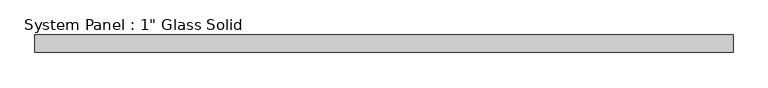
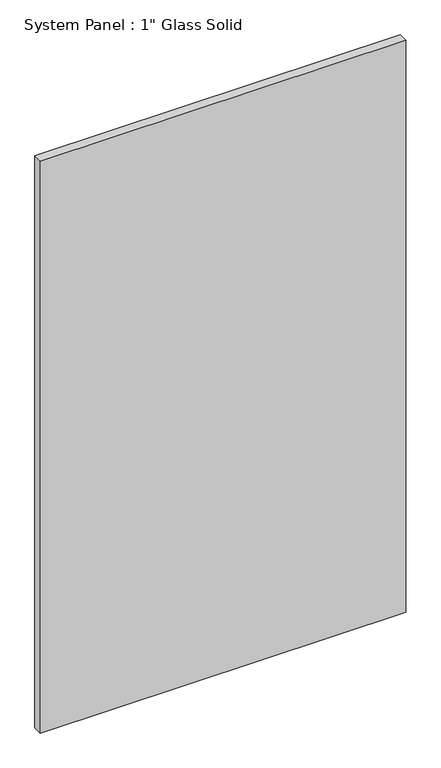
"""IFC4 building model written with IfcOpenShell, lengths in millimetres: plate geometry."""

from ifc_helpers import new_model, si_unit, origin, origin_with_axes, place, context, project, spatial, polyline, outline, extrude, source, transform, mapped, element, save


def plate_017f8e9b(model_context):
    return source(origin(), model_context, "Body", "SweptSolid", [
        extrude(outline(polyline([(504.825, -12.7), (-504.825, -12.7), (-504.825, 12.7), (504.825, 12.7), (504.825, -12.7)])), origin_with_axes(), (0.0, 0.0, 1.0), 1670.05),
    ])


if __name__ == "__main__":
    model = new_model("IFC4")
    model_context = context("Model", 3, world=origin())
    ifc_project = project(units=[si_unit("LENGTHUNIT", "METRE", prefix="MILLI")], contexts=[model_context])
    site = spatial("IfcSite", under=ifc_project)
    building = spatial("IfcBuilding", under=site)
    placement = place(None, origin())
    plate_shape = plate_017f8e9b(model_context)
    element("IfcPlate", 1, ObjectType="System Panel : 1\" Glass Solid", at=placement, inside=building, context=model_context, shape_type="MappedRepresentation", body=[
        mapped(plate_shape, transform((0.0, 0.0, 0.0), x_axis=(1.0, 0.0, 0.0), y_axis=(0.0, 1.0, 0.0), z_axis=(0.0, 0.0, 1.0))),
    ])
    save(model, "model.ifc")
